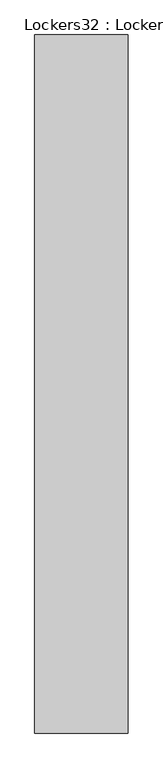
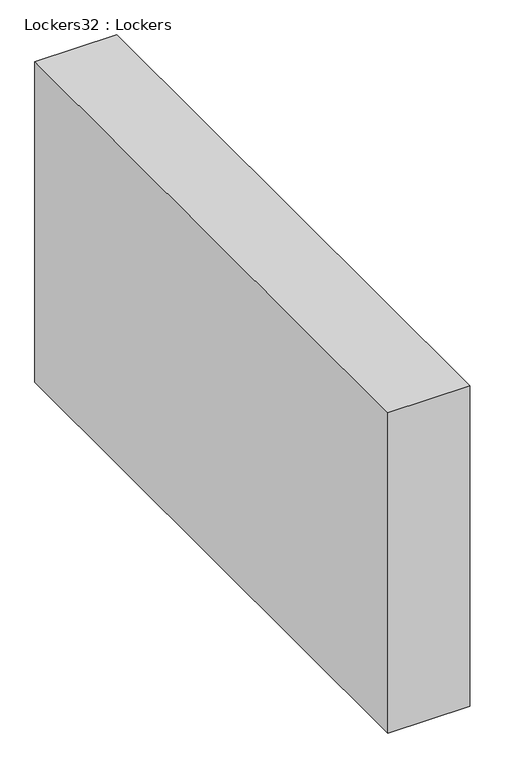
"""IFC4 building model written with IfcOpenShell, lengths in millimetres: furniture geometry, Lockers32 : Lockers."""

import ifcopenshell
import ifcopenshell.guid

model = None  # the IFC model being written
_history = None  # IfcOwnerHistory: only IFC2X3 demands one
_inside = {}  # id of a spatial element -> (the spatial element, [elements in it])
_under = {}  # id of a project, library or spatial element -> (it, [spatial elements below it])
_declared = {}  # id of a project -> (the project, [libraries it declares])
_typed = {}  # id of a type object -> (the type object, [elements of that type])
_made_of = {}  # id of a material, layer set ... -> (it, [elements and type objects made of it])


def new_model(schema):
    """Start an empty IFC model of exactly this schema.

    Asked for "IFC4X3", IfcOpenShell would pick the latest addendum, in which some entities
    have other attributes; the version numbers below select the first issue.
    IFC2X3 requires an IfcOwnerHistory on every rooted entity: one is made here for all.
    """
    global model, _history
    if schema == "IFC4X3":
        model = ifcopenshell.file(schema_version=(4, 3, 0, 0))
    else:
        model = ifcopenshell.file(schema=schema)
    _inside.clear()
    _under.clear()
    _declared.clear()
    _typed.clear()
    _made_of.clear()
    _history = None
    if model.schema == "IFC2X3":
        org = make("IfcOrganization", Name="unknown")
        user = make(
            "IfcPersonAndOrganization",
            ThePerson=make("IfcPerson", FamilyName="unknown"),
            TheOrganization=org,
        )
        app = make(
            "IfcApplication",
            ApplicationDeveloper=org,
            Version="unknown",
            ApplicationFullName="unknown",
            ApplicationIdentifier="unknown",
        )
        _history = make(
            "IfcOwnerHistory",
            OwningUser=user,
            OwningApplication=app,
            ChangeAction="ADDED",
            CreationDate=0,
        )
    return model


def make(cls, **values):
    """One entity of the class cls with the attributes given. An attribute that is None is left unset."""
    return model.create_entity(
        cls, **{name: value for name, value in values.items() if value is not None}
    )


def rooted(cls, **values):
    """An entity with a GlobalId (a new one), such as an element, a storey or a relation."""
    return make(cls, GlobalId=ifcopenshell.guid.new(), OwnerHistory=_history, **values)


def si_unit(unit_type, name, prefix=None):
    """IfcSIUnit, for example si_unit("LENGTHUNIT", "METRE", prefix="MILLI")."""
    return make("IfcSIUnit", UnitType=unit_type, Prefix=prefix, Name=name)


def assignment(units):
    """IfcUnitAssignment: the units of a project."""
    return None if units is None else make("IfcUnitAssignment", Units=units)


def point(xyz):
    """IfcCartesianPoint."""
    return None if xyz is None else make("IfcCartesianPoint", Coordinates=xyz)


def direction(xyz):
    """IfcDirection."""
    return None if xyz is None else make("IfcDirection", DirectionRatios=xyz)


def frame(location, z_axis=None, x_axis=None):
    """IfcAxis2Placement3D, a coordinate frame: its origin and axes. An axis left out is left unset."""
    return make(
        "IfcAxis2Placement3D",
        Location=point(location),
        Axis=direction(z_axis),
        RefDirection=direction(x_axis),
    )


def origin():
    """The frame at (0, 0, 0) with its axes left unset."""
    return frame((0.0, 0.0, 0.0))


def origin_with_axes():
    """The frame at (0, 0, 0) with the z axis (0, 0, 1) and the x axis (1, 0, 0) written out."""
    return frame((0.0, 0.0, 0.0), z_axis=(0.0, 0.0, 1.0), x_axis=(1.0, 0.0, 0.0))


def place(relative_to, where):
    """IfcLocalPlacement: puts the frame where relative to a parent placement (None: the world)."""
    return make(
        "IfcLocalPlacement", PlacementRelTo=relative_to, RelativePlacement=where
    )


def context(
    kind, dimensions, precision=None, world=None, true_north=None, identifier=None
):
    """IfcGeometricRepresentationContext, for example the 3D "Model" context."""
    return make(
        "IfcGeometricRepresentationContext",
        ContextIdentifier=identifier,
        ContextType=kind,
        CoordinateSpaceDimension=dimensions,
        Precision=precision,
        WorldCoordinateSystem=world,
        TrueNorth=true_north,
    )


def project(units=None, contexts=None):
    """IfcProject with its units and contexts."""
    return rooted(
        "IfcProject",
        Name="project",
        RepresentationContexts=contexts,
        UnitsInContext=assignment(units),
    )


def spatial(cls, under=None, at=None, **own):
    """A site, building, storey or space (cls), placed at a placement, below another one or the project."""
    s = rooted(cls, ObjectPlacement=at, **own)
    if under is not None:
        _under.setdefault(under.id(), (under, []))[1].append(s)
    return s


def polyline(points):
    """IfcPolyline through the points."""
    return make("IfcPolyline", Points=[point(p) for p in points])


def outline(outer, holes=None, kind="AREA"):
    """IfcArbitraryClosedProfileDef: a profile drawn as a closed curve; with holes, ...WithVoids."""
    if holes is None:
        return make("IfcArbitraryClosedProfileDef", ProfileType=kind, OuterCurve=outer)
    return make(
        "IfcArbitraryProfileDefWithVoids",
        ProfileType=kind,
        OuterCurve=outer,
        InnerCurves=holes,
    )


def extrude(swept, where, along, depth):
    """IfcExtrudedAreaSolid: the profile swept, set in the frame where, extruded along a direction by depth."""
    return make(
        "IfcExtrudedAreaSolid",
        SweptArea=swept,
        Position=where,
        ExtrudedDirection=direction(along),
        Depth=depth,
    )


def shape(context_of_items, identifier, shape_type, items):
    """IfcShapeRepresentation: the items that make up one representation, for example the "Body"."""
    return make(
        "IfcShapeRepresentation",
        ContextOfItems=context_of_items,
        RepresentationIdentifier=identifier,
        RepresentationType=shape_type,
        Items=items,
    )


def source(mapping_origin, context_of_items, identifier, shape_type, items):
    """IfcRepresentationMap: a shape defined once, which mapped items show again and again."""
    return make(
        "IfcRepresentationMap",
        MappingOrigin=mapping_origin,
        MappedRepresentation=shape(context_of_items, identifier, shape_type, items),
    )


def transform(
    local_origin,
    x_axis=None,
    y_axis=None,
    z_axis=None,
    scale=None,
    scale2=None,
    scale3=None,
    uniform=True,
):
    """IfcCartesianTransformationOperator3D, or its non-uniform kind. x_axis, y_axis, z_axis: its Axis1, 2, 3."""
    if uniform:
        return make(
            "IfcCartesianTransformationOperator3D",
            Axis1=direction(x_axis),
            Axis2=direction(y_axis),
            LocalOrigin=point(local_origin),
            Scale=scale,
            Axis3=direction(z_axis),
        )
    return make(
        "IfcCartesianTransformationOperator3DnonUniform",
        Axis1=direction(x_axis),
        Axis2=direction(y_axis),
        LocalOrigin=point(local_origin),
        Scale=scale,
        Axis3=direction(z_axis),
        Scale2=scale2,
        Scale3=scale3,
    )


def mapped(mapping_source, mapping_target):
    """IfcMappedItem: shows the shape of a source again, moved by a transform."""
    return make(
        "IfcMappedItem", MappingSource=mapping_source, MappingTarget=mapping_target
    )


def made_of(thing, what):
    """Note that an element or type object is made of a material, layer set ...; save() writes the relation."""
    if what is not None:
        _made_of.setdefault(what.id(), (what, []))[1].append(thing)
    return thing


def element(
    cls,
    number,
    at=None,
    inside=None,
    cuts=None,
    type_object=None,
    material=None,
    context=None,
    identifier="Body",
    shape_type=None,
    held_by="IfcProductDefinitionShape",
    body=None,
    shapes=None,
    **own,
):
    """One element of the class cls, such as IfcWall. Its Tag is "e" and its number.

    at: its placement. inside: the storey or other place that contains it. cuts: it is an
    opening in that element (IfcRelVoidsElement). A single representation is given by context,
    identifier, shape_type and body (its items); several are given by shapes. held_by: the class
    of the entity that holds the representations. save() writes the other relations.
    """
    e = rooted(cls, Tag="e%d" % number, ObjectPlacement=at, **own)
    if body is not None:
        shapes = [shape(context, identifier, shape_type, body)]
    if shapes is not None:
        e.Representation = make(held_by, Representations=shapes)
    if inside is not None:
        _inside.setdefault(inside.id(), (inside, []))[1].append(e)
    if cuts is not None:
        rooted(
            "IfcRelVoidsElement", RelatingBuildingElement=cuts, RelatedOpeningElement=e
        )
    if type_object is not None:
        _typed.setdefault(type_object.id(), (type_object, []))[1].append(e)
    return made_of(e, material)


def aggregate(whole, parts):
    """IfcRelAggregates: a whole, such as a stair, and the parts it consists of."""
    return rooted("IfcRelAggregates", RelatingObject=whole, RelatedObjects=parts)


def save(model, path):
    """Write the relations noted so far, then the file.

    IfcRelAggregates (storeys below a building ...), IfcRelContainedInSpatialStructure (elements
    in a storey), IfcRelDefinesByType, IfcRelAssociatesMaterial and IfcRelDeclares: one each for
    every whole, place, type object, material and project.
    """
    for whole, parts in _under.values():
        aggregate(whole, parts)
    for where, things in _inside.values():
        rooted(
            "IfcRelContainedInSpatialStructure",
            RelatedElements=things,
            RelatingStructure=where,
        )
    for kind, things in _typed.values():
        rooted("IfcRelDefinesByType", RelatedObjects=things, RelatingType=kind)
    for what, things in _made_of.values():
        rooted("IfcRelAssociatesMaterial", RelatedObjects=things, RelatingMaterial=what)
    for by, libraries in _declared.values():
        rooted("IfcRelDeclares", RelatingContext=by, RelatedDefinitions=libraries)
    model.write(path)


def lockers32_lockers_2937f4e2(model_context):
    return source(origin(), model_context, "Body", "SweptSolid", [
        extrude(outline(polyline([(-451635.2902128, -59314.0413317), (-451635.2902128, -62616.0413317), (-452076.6152128, -62616.0413317), (-452076.6152128, -59314.0413317), (-451635.2902128, -59314.0413317)])), origin_with_axes(), (0.0, 0.0, 1.0), 1828.8),
    ])


if __name__ == "__main__":
    model = new_model("IFC4")
    model_context = context("Model", 3, world=origin())
    ifc_project = project(units=[si_unit("LENGTHUNIT", "METRE", prefix="MILLI")], contexts=[model_context])
    site = spatial("IfcSite", under=ifc_project)
    building = spatial("IfcBuilding", under=site)
    placement = place(None, origin())
    lockers32_lockers_shape = lockers32_lockers_2937f4e2(model_context)
    element("IfcFurniture", 1, ObjectType="Lockers32 : Lockers", at=placement, inside=building, context=model_context, shape_type="MappedRepresentation", body=[
        mapped(lockers32_lockers_shape, transform((0.0, 0.0, 0.0), x_axis=(1.0, 0.0, 0.0), y_axis=(0.0, 1.0, 0.0), z_axis=(0.0, 0.0, 1.0))),
    ])
    save(model, "model.ifc")
